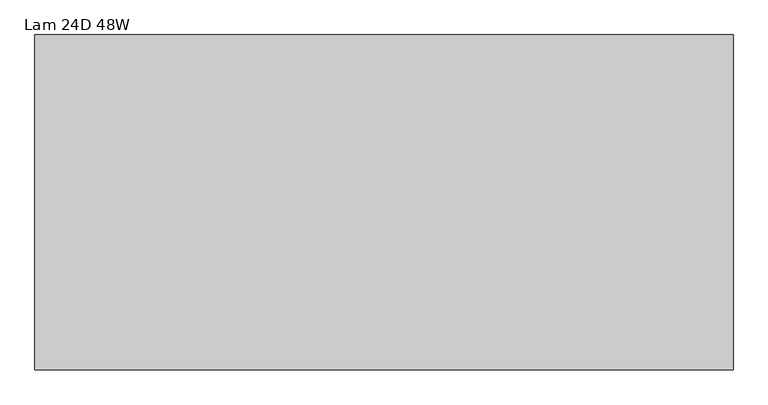
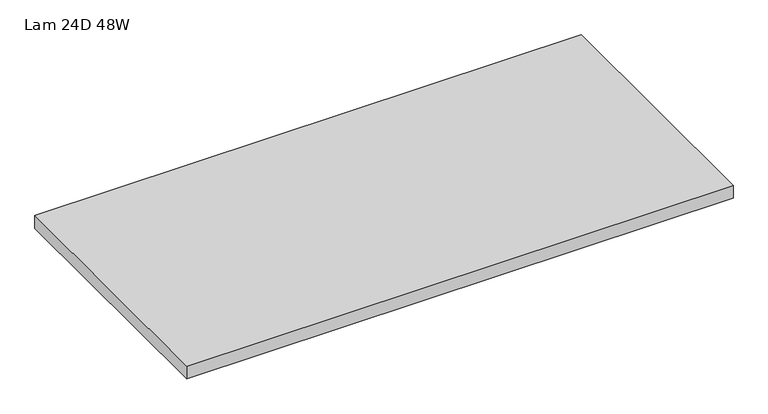
"""IFC4 building model written with IfcOpenShell, lengths in millimetres: furniture geometry, Lam 24D 48W."""

from ifc_helpers import new_model, si_unit, frame, origin, place, context, project, spatial, polyline, outline, extrude, source, transform, mapped, element, save


def lam_24d_48w_cabdf88d(model_context):
    return source(origin(), model_context, "Body", "SweptSolid", [
        extrude(outline(polyline([(753.5275996, 174.6914812), (-462.6244004, 174.6914812), (-462.6244004, 758.8914812), (753.5275996, 758.8914812), (753.5275996, 174.6914812)])), frame((0.0, 0.0, 706.7296), z_axis=(0.0, 0.0, 1.0), x_axis=(1.0, 0.0, 0.0)), (0.0, 0.0, 1.0), 29.8704),
    ])


if __name__ == "__main__":
    model = new_model("IFC4")
    model_context = context("Model", 3, world=origin())
    ifc_project = project(units=[si_unit("LENGTHUNIT", "METRE", prefix="MILLI")], contexts=[model_context])
    site = spatial("IfcSite", under=ifc_project)
    building = spatial("IfcBuilding", under=site)
    placement = place(None, origin())
    lam_24d_48w_shape = lam_24d_48w_cabdf88d(model_context)
    element("IfcFurniture", 1, ObjectType="Lam 24D 48W", at=placement, inside=building, context=model_context, shape_type="MappedRepresentation", body=[
        mapped(lam_24d_48w_shape, transform((0.0, 0.0, 0.0), x_axis=(1.0, 0.0, 0.0), y_axis=(0.0, 1.0, 0.0), z_axis=(0.0, 0.0, 1.0))),
    ])
    save(model, "model.ifc")
